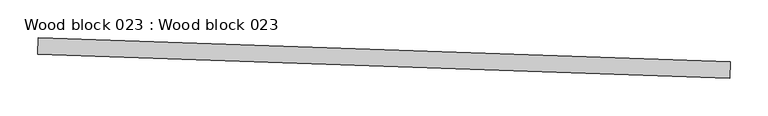
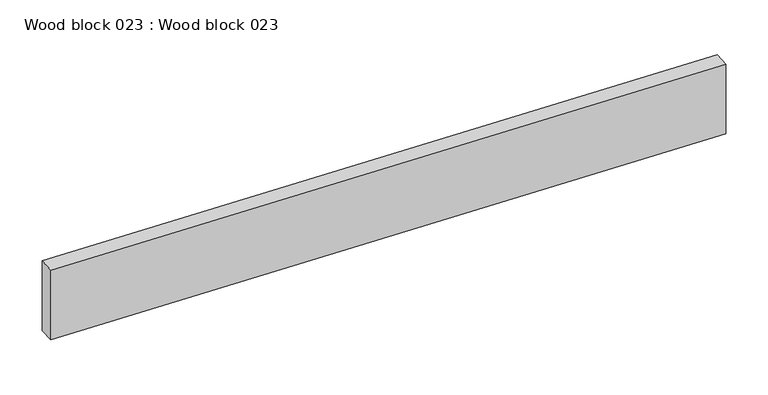
"""IFC4 building model written with IfcOpenShell, lengths in millimetres: proxy geometry, Wood block 023 : Wood block 023."""

from ifc_helpers import new_model, si_unit, frame, origin, place, context, project, spatial, polyline, outline, extrude, source, transform, mapped, element, save


def wood_block_023_wood_block_023_6f02b61b(model_context):
    return source(origin(), model_context, "Body", "SweptSolid", [
        extrude(outline(polyline([(33429.6940955, -15761.1090469), (33430.4426603, -15739.235133), (34344.3076887, -15770.5092423), (34343.5591239, -15792.3831562), (33429.6940955, -15761.1090469)])), frame((0.0, 0.0, 169.6078186), z_axis=(0.0, 0.0, 1.0), x_axis=(1.0, 0.0, 0.0)), (0.0, 0.0, 1.0), 101.6645508),
    ])


if __name__ == "__main__":
    model = new_model("IFC4")
    model_context = context("Model", 3, world=origin())
    ifc_project = project(units=[si_unit("LENGTHUNIT", "METRE", prefix="MILLI")], contexts=[model_context])
    site = spatial("IfcSite", under=ifc_project)
    building = spatial("IfcBuilding", under=site)
    placement = place(None, origin())
    wood_block_023_wood_block_023_shape = wood_block_023_wood_block_023_6f02b61b(model_context)
    element("IfcBuildingElementProxy", 1, Name="Wood block 023 : Wood block 023", ObjectType="Wood block 023 : Wood block 023", at=placement, inside=building, context=model_context, shape_type="MappedRepresentation", body=[
        mapped(wood_block_023_wood_block_023_shape, transform((0.0, 0.0, 0.0), x_axis=(1.0, 0.0, 0.0), y_axis=(0.0, 1.0, 0.0), z_axis=(0.0, 0.0, 1.0))),
    ])
    save(model, "model.ifc")
